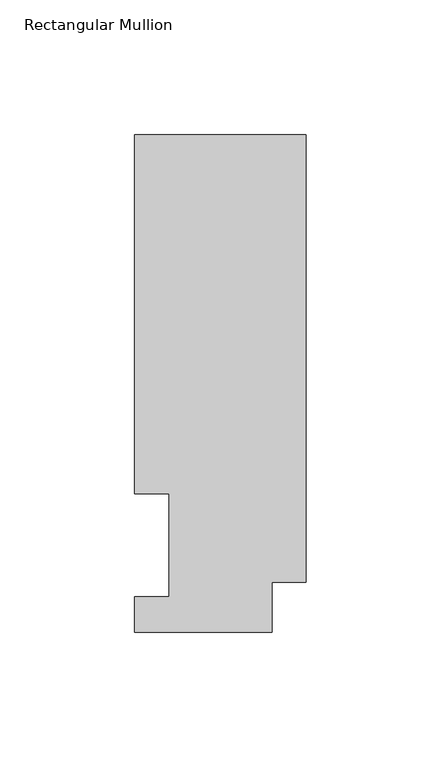
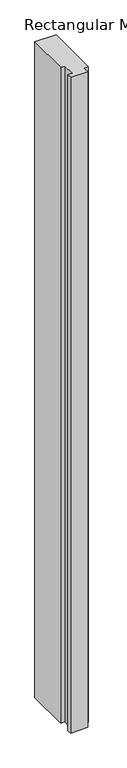
"""IFC4 building model written with IfcOpenShell, lengths in millimetres: member geometry, Rectangular Mullion."""

from ifc_helpers import new_model, si_unit, frame, origin, place, context, project, spatial, polyline, outline, extrude, source, transform, mapped, element, save


def rectangular_mullion_2c83af1c(model_context):
    return source(origin(), model_context, "Body", "SweptSolid", [
        extrude(outline(polyline([(-63.5, 184.2396938), (0.0, 184.2396938), (0.0, 18.5222276), (-12.7, 18.5222276), (-12.7, 0.0134937), (-63.5, 0.0134937), (-63.5, 13.1960938), (-50.8, 13.1960938), (-50.8, 51.2960937), (-63.5, 51.2960937), (-63.5, 184.2396938)])), frame((0.0, 0.0, -2070.1), z_axis=(0.0, 0.0, 1.0), x_axis=(1.0, 0.0, 0.0)), (0.0, 0.0, 1.0), 2070.1),
    ])


if __name__ == "__main__":
    model = new_model("IFC4")
    model_context = context("Model", 3, world=origin())
    ifc_project = project(units=[si_unit("LENGTHUNIT", "METRE", prefix="MILLI")], contexts=[model_context])
    site = spatial("IfcSite", under=ifc_project)
    building = spatial("IfcBuilding", under=site)
    placement = place(None, origin())
    rectangular_mullion_shape = rectangular_mullion_2c83af1c(model_context)
    element("IfcMember", 1, ObjectType="Rectangular Mullion", at=placement, inside=building, context=model_context, shape_type="MappedRepresentation", body=[
        mapped(rectangular_mullion_shape, transform((0.0, 0.0, 0.0), x_axis=(1.0, 0.0, 0.0), y_axis=(0.0, 1.0, 0.0), z_axis=(0.0, 0.0, 1.0))),
    ])
    save(model, "model.ifc")
